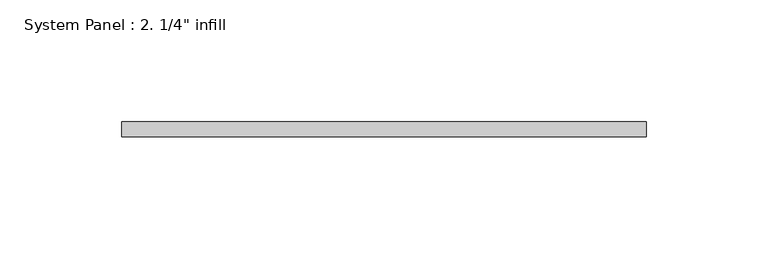
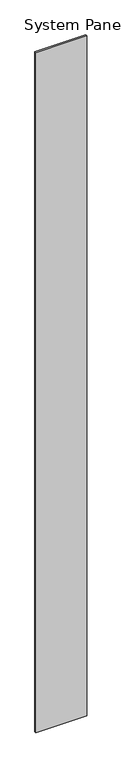
"""IFC4 building model written with IfcOpenShell, lengths in millimetres: plate geometry."""

from ifc_helpers import new_model, si_unit, origin, origin_with_axes, place, context, project, spatial, polyline, outline, extrude, source, transform, mapped, element, save


def plate_e138bbfd(model_context):
    return source(origin(), model_context, "Body", "SweptSolid", [
        extrude(outline(polyline([(107.95, -6.35), (-107.95, -6.35), (-107.95, 0.0), (107.95, 0.0), (107.95, -6.35)])), origin_with_axes(), (0.0, 0.0, 1.0), 3048.0),
    ])


if __name__ == "__main__":
    model = new_model("IFC4")
    model_context = context("Model", 3, world=origin())
    ifc_project = project(units=[si_unit("LENGTHUNIT", "METRE", prefix="MILLI")], contexts=[model_context])
    site = spatial("IfcSite", under=ifc_project)
    building = spatial("IfcBuilding", under=site)
    placement = place(None, origin())
    plate_shape = plate_e138bbfd(model_context)
    element("IfcPlate", 1, ObjectType="System Panel : 2. 1/4\" infill", at=placement, inside=building, context=model_context, shape_type="MappedRepresentation", body=[
        mapped(plate_shape, transform((0.0, 0.0, 0.0), x_axis=(1.0, 0.0, 0.0), y_axis=(0.0, 1.0, 0.0), z_axis=(0.0, 0.0, 1.0))),
    ])
    save(model, "model.ifc")
